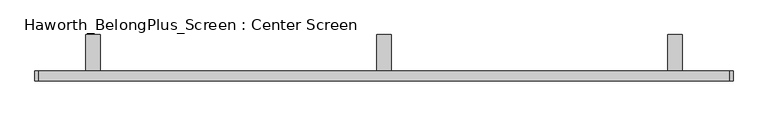
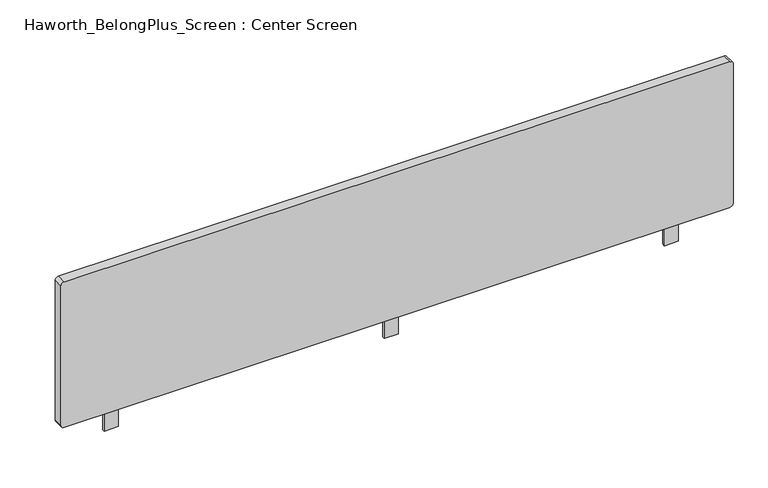
"""IFC4 building model written with IfcOpenShell, lengths in millimetres: furniture geometry, Haworth_BelongPlus_Screen : Center Screen."""

from ifc_helpers import new_model, si_unit, point, frame, frame_2d, origin, place, context, project, spatial, polyline, circle_curve, trimmed, segment, composite_curve, outline, extrude, source, transform, mapped, element, save


def haworth_belongplus_screen_center_screen_05139a91(model_context):
    return source(origin(), model_context, "Body", "SweptSolid", [
        extrude(outline(polyline([(11.1125, 706.4375), (90.4875, 706.4375), (90.4875, 700.0875), (17.4625, 700.0875), (17.4625, 654.05), (11.1125, 654.05), (11.1125, 706.4375)])), frame((-48.5395436, 0.0, 0.0), z_axis=(1.0, 0.0, 0.0), x_axis=(0.0, 1.0, 0.0)), (0.0, 0.0, 1.0), 31.75),
        extrude(outline(polyline([(11.1125, 706.4375), (90.4875, 706.4375), (90.4875, 700.0875), (17.4625, 700.0875), (17.4625, 654.05), (11.1125, 654.05), (11.1125, 706.4375)])), frame((-683.5395436, 0.0, 0.0), z_axis=(1.0, 0.0, 0.0), x_axis=(0.0, 1.0, 0.0)), (0.0, 0.0, 1.0), 31.75),
        extrude(outline(polyline([(11.1125, 706.4375), (90.4875, 706.4375), (90.4875, 700.0875), (17.4625, 700.0875), (17.4625, 654.05), (11.1125, 654.05), (11.1125, 706.4375)])), frame((586.4604564, 0.0, 0.0), z_axis=(1.0, 0.0, 0.0), x_axis=(0.0, 1.0, 0.0)), (0.0, 0.0, 1.0), 31.75),
        extrude(outline(composite_curve([segment(polyline([(1062.0375, 721.3979564), (1062.0375, -786.7270436)]), True, "CONTINUOUS"), segment(trimmed(circle_curve(frame_2d((1054.1, -786.7270436)), 7.9375), [point((1062.0375, -786.7270436))], [point((1054.1, -794.6645436))], False, "CARTESIAN"), True, "CONTINUOUS"), segment(polyline([(1054.1, -794.6645436), (720.725, -794.6645436)]), True, "CONTINUOUS"), segment(trimmed(circle_curve(frame_2d((720.725, -786.7270436)), 7.9375), [point((720.725, -794.6645436))], [point((712.7875, -786.7270436))], False, "CARTESIAN"), True, "CONTINUOUS"), segment(polyline([(712.7875, -786.7270436), (712.7875, 721.3979564)]), True, "CONTINUOUS"), segment(trimmed(circle_curve(frame_2d((720.725, 721.3979564)), 7.9375), [point((712.7875, 721.3979564))], [point((720.725, 729.3354564))], False, "CARTESIAN"), True, "CONTINUOUS"), segment(polyline([(720.725, 729.3354564), (1054.1, 729.3354564)]), True, "CONTINUOUS"), segment(trimmed(circle_curve(frame_2d((1054.1, 721.3979564)), 7.9375), [point((1054.1, 729.3354564))], [point((1062.0375, 721.3979564))], False, "CARTESIAN"), True, "CONTINUOUS")], self_intersect=False)), frame((0.0, -11.1125, 0.0), z_axis=(0.0, 1.0, 0.0), x_axis=(0.0, 0.0, 1.0)), (0.0, 0.0, 1.0), 22.225),
    ])


if __name__ == "__main__":
    model = new_model("IFC4")
    model_context = context("Model", 3, world=origin())
    ifc_project = project(units=[si_unit("LENGTHUNIT", "METRE", prefix="MILLI")], contexts=[model_context])
    site = spatial("IfcSite", under=ifc_project)
    building = spatial("IfcBuilding", under=site)
    placement = place(None, origin())
    haworth_belongplus_screen_center_screen_shape = haworth_belongplus_screen_center_screen_05139a91(model_context)
    element("IfcFurniture", 1, ObjectType="Haworth_BelongPlus_Screen : Center Screen", at=placement, inside=building, context=model_context, shape_type="MappedRepresentation", body=[
        mapped(haworth_belongplus_screen_center_screen_shape, transform((0.0, 0.0, 0.0), x_axis=(1.0, 0.0, 0.0), y_axis=(0.0, 1.0, 0.0), z_axis=(0.0, 0.0, 1.0))),
    ])
    save(model, "model.ifc")
